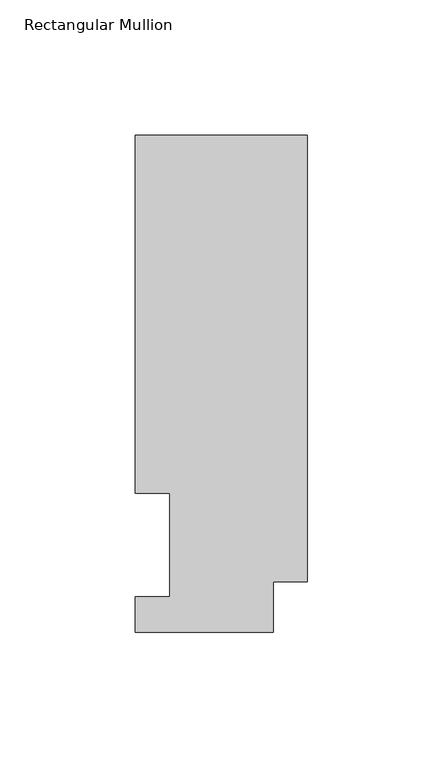
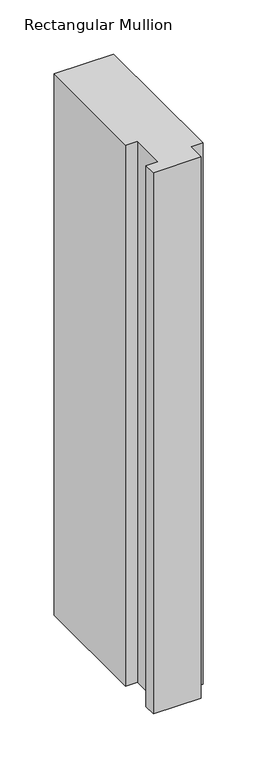
"""IFC4 building model written with IfcOpenShell, lengths in millimetres: member geometry, Rectangular Mullion."""

import ifcopenshell
import ifcopenshell.guid

model = None  # the IFC model being written
_history = None  # IfcOwnerHistory: only IFC2X3 demands one
_inside = {}  # id of a spatial element -> (the spatial element, [elements in it])
_under = {}  # id of a project, library or spatial element -> (it, [spatial elements below it])
_declared = {}  # id of a project -> (the project, [libraries it declares])
_typed = {}  # id of a type object -> (the type object, [elements of that type])
_made_of = {}  # id of a material, layer set ... -> (it, [elements and type objects made of it])


def new_model(schema):
    """Start an empty IFC model of exactly this schema.

    Asked for "IFC4X3", IfcOpenShell would pick the latest addendum, in which some entities
    have other attributes; the version numbers below select the first issue.
    IFC2X3 requires an IfcOwnerHistory on every rooted entity: one is made here for all.
    """
    global model, _history
    if schema == "IFC4X3":
        model = ifcopenshell.file(schema_version=(4, 3, 0, 0))
    else:
        model = ifcopenshell.file(schema=schema)
    _inside.clear()
    _under.clear()
    _declared.clear()
    _typed.clear()
    _made_of.clear()
    _history = None
    if model.schema == "IFC2X3":
        org = make("IfcOrganization", Name="unknown")
        user = make(
            "IfcPersonAndOrganization",
            ThePerson=make("IfcPerson", FamilyName="unknown"),
            TheOrganization=org,
        )
        app = make(
            "IfcApplication",
            ApplicationDeveloper=org,
            Version="unknown",
            ApplicationFullName="unknown",
            ApplicationIdentifier="unknown",
        )
        _history = make(
            "IfcOwnerHistory",
            OwningUser=user,
            OwningApplication=app,
            ChangeAction="ADDED",
            CreationDate=0,
        )
    return model


def make(cls, **values):
    """One entity of the class cls with the attributes given. An attribute that is None is left unset."""
    return model.create_entity(
        cls, **{name: value for name, value in values.items() if value is not None}
    )


def rooted(cls, **values):
    """An entity with a GlobalId (a new one), such as an element, a storey or a relation."""
    return make(cls, GlobalId=ifcopenshell.guid.new(), OwnerHistory=_history, **values)


def si_unit(unit_type, name, prefix=None):
    """IfcSIUnit, for example si_unit("LENGTHUNIT", "METRE", prefix="MILLI")."""
    return make("IfcSIUnit", UnitType=unit_type, Prefix=prefix, Name=name)


def assignment(units):
    """IfcUnitAssignment: the units of a project."""
    return None if units is None else make("IfcUnitAssignment", Units=units)


def point(xyz):
    """IfcCartesianPoint."""
    return None if xyz is None else make("IfcCartesianPoint", Coordinates=xyz)


def direction(xyz):
    """IfcDirection."""
    return None if xyz is None else make("IfcDirection", DirectionRatios=xyz)


def frame(location, z_axis=None, x_axis=None):
    """IfcAxis2Placement3D, a coordinate frame: its origin and axes. An axis left out is left unset."""
    return make(
        "IfcAxis2Placement3D",
        Location=point(location),
        Axis=direction(z_axis),
        RefDirection=direction(x_axis),
    )


def origin():
    """The frame at (0, 0, 0) with its axes left unset."""
    return frame((0.0, 0.0, 0.0))


def place(relative_to, where):
    """IfcLocalPlacement: puts the frame where relative to a parent placement (None: the world)."""
    return make(
        "IfcLocalPlacement", PlacementRelTo=relative_to, RelativePlacement=where
    )


def context(
    kind, dimensions, precision=None, world=None, true_north=None, identifier=None
):
    """IfcGeometricRepresentationContext, for example the 3D "Model" context."""
    return make(
        "IfcGeometricRepresentationContext",
        ContextIdentifier=identifier,
        ContextType=kind,
        CoordinateSpaceDimension=dimensions,
        Precision=precision,
        WorldCoordinateSystem=world,
        TrueNorth=true_north,
    )


def project(units=None, contexts=None):
    """IfcProject with its units and contexts."""
    return rooted(
        "IfcProject",
        Name="project",
        RepresentationContexts=contexts,
        UnitsInContext=assignment(units),
    )


def spatial(cls, under=None, at=None, **own):
    """A site, building, storey or space (cls), placed at a placement, below another one or the project."""
    s = rooted(cls, ObjectPlacement=at, **own)
    if under is not None:
        _under.setdefault(under.id(), (under, []))[1].append(s)
    return s


def polyline(points):
    """IfcPolyline through the points."""
    return make("IfcPolyline", Points=[point(p) for p in points])


def outline(outer, holes=None, kind="AREA"):
    """IfcArbitraryClosedProfileDef: a profile drawn as a closed curve; with holes, ...WithVoids."""
    if holes is None:
        return make("IfcArbitraryClosedProfileDef", ProfileType=kind, OuterCurve=outer)
    return make(
        "IfcArbitraryProfileDefWithVoids",
        ProfileType=kind,
        OuterCurve=outer,
        InnerCurves=holes,
    )


def extrude(swept, where, along, depth):
    """IfcExtrudedAreaSolid: the profile swept, set in the frame where, extruded along a direction by depth."""
    return make(
        "IfcExtrudedAreaSolid",
        SweptArea=swept,
        Position=where,
        ExtrudedDirection=direction(along),
        Depth=depth,
    )


def shape(context_of_items, identifier, shape_type, items):
    """IfcShapeRepresentation: the items that make up one representation, for example the "Body"."""
    return make(
        "IfcShapeRepresentation",
        ContextOfItems=context_of_items,
        RepresentationIdentifier=identifier,
        RepresentationType=shape_type,
        Items=items,
    )


def source(mapping_origin, context_of_items, identifier, shape_type, items):
    """IfcRepresentationMap: a shape defined once, which mapped items show again and again."""
    return make(
        "IfcRepresentationMap",
        MappingOrigin=mapping_origin,
        MappedRepresentation=shape(context_of_items, identifier, shape_type, items),
    )


def transform(
    local_origin,
    x_axis=None,
    y_axis=None,
    z_axis=None,
    scale=None,
    scale2=None,
    scale3=None,
    uniform=True,
):
    """IfcCartesianTransformationOperator3D, or its non-uniform kind. x_axis, y_axis, z_axis: its Axis1, 2, 3."""
    if uniform:
        return make(
            "IfcCartesianTransformationOperator3D",
            Axis1=direction(x_axis),
            Axis2=direction(y_axis),
            LocalOrigin=point(local_origin),
            Scale=scale,
            Axis3=direction(z_axis),
        )
    return make(
        "IfcCartesianTransformationOperator3DnonUniform",
        Axis1=direction(x_axis),
        Axis2=direction(y_axis),
        LocalOrigin=point(local_origin),
        Scale=scale,
        Axis3=direction(z_axis),
        Scale2=scale2,
        Scale3=scale3,
    )


def mapped(mapping_source, mapping_target):
    """IfcMappedItem: shows the shape of a source again, moved by a transform."""
    return make(
        "IfcMappedItem", MappingSource=mapping_source, MappingTarget=mapping_target
    )


def made_of(thing, what):
    """Note that an element or type object is made of a material, layer set ...; save() writes the relation."""
    if what is not None:
        _made_of.setdefault(what.id(), (what, []))[1].append(thing)
    return thing


def element(
    cls,
    number,
    at=None,
    inside=None,
    cuts=None,
    type_object=None,
    material=None,
    context=None,
    identifier="Body",
    shape_type=None,
    held_by="IfcProductDefinitionShape",
    body=None,
    shapes=None,
    **own,
):
    """One element of the class cls, such as IfcWall. Its Tag is "e" and its number.

    at: its placement. inside: the storey or other place that contains it. cuts: it is an
    opening in that element (IfcRelVoidsElement). A single representation is given by context,
    identifier, shape_type and body (its items); several are given by shapes. held_by: the class
    of the entity that holds the representations. save() writes the other relations.
    """
    e = rooted(cls, Tag="e%d" % number, ObjectPlacement=at, **own)
    if body is not None:
        shapes = [shape(context, identifier, shape_type, body)]
    if shapes is not None:
        e.Representation = make(held_by, Representations=shapes)
    if inside is not None:
        _inside.setdefault(inside.id(), (inside, []))[1].append(e)
    if cuts is not None:
        rooted(
            "IfcRelVoidsElement", RelatingBuildingElement=cuts, RelatedOpeningElement=e
        )
    if type_object is not None:
        _typed.setdefault(type_object.id(), (type_object, []))[1].append(e)
    return made_of(e, material)


def aggregate(whole, parts):
    """IfcRelAggregates: a whole, such as a stair, and the parts it consists of."""
    return rooted("IfcRelAggregates", RelatingObject=whole, RelatedObjects=parts)


def save(model, path):
    """Write the relations noted so far, then the file.

    IfcRelAggregates (storeys below a building ...), IfcRelContainedInSpatialStructure (elements
    in a storey), IfcRelDefinesByType, IfcRelAssociatesMaterial and IfcRelDeclares: one each for
    every whole, place, type object, material and project.
    """
    for whole, parts in _under.values():
        aggregate(whole, parts)
    for where, things in _inside.values():
        rooted(
            "IfcRelContainedInSpatialStructure",
            RelatedElements=things,
            RelatingStructure=where,
        )
    for kind, things in _typed.values():
        rooted("IfcRelDefinesByType", RelatedObjects=things, RelatingType=kind)
    for what, things in _made_of.values():
        rooted("IfcRelAssociatesMaterial", RelatedObjects=things, RelatingMaterial=what)
    for by, libraries in _declared.values():
        rooted("IfcRelDeclares", RelatingContext=by, RelatedDefinitions=libraries)
    model.write(path)


def rectangular_mullion_84967c06(model_context):
    return source(origin(), model_context, "Body", "SweptSolid", [
        extrude(outline(polyline([(0.0, 18.7332937), (-12.7, 18.7332937), (-12.7, 0.0134937), (-63.5, 0.0134937), (-63.5, 13.1960938), (-50.8, 13.1960938), (-50.8, 51.2960937), (-63.5, 51.2960937), (-63.5, 183.4446737), (0.0, 183.4446737), (0.0, 18.7332937)])), frame((0.0, 0.0, -609.587333), z_axis=(0.0, 0.0, 1.0), x_axis=(1.0, 0.0, 0.0)), (0.0, 0.0, 1.0), 609.587333),
    ])


if __name__ == "__main__":
    model = new_model("IFC4")
    model_context = context("Model", 3, world=origin())
    ifc_project = project(units=[si_unit("LENGTHUNIT", "METRE", prefix="MILLI")], contexts=[model_context])
    site = spatial("IfcSite", under=ifc_project)
    building = spatial("IfcBuilding", under=site)
    placement = place(None, origin())
    rectangular_mullion_shape = rectangular_mullion_84967c06(model_context)
    element("IfcMember", 1, ObjectType="Rectangular Mullion", at=placement, inside=building, context=model_context, shape_type="MappedRepresentation", body=[
        mapped(rectangular_mullion_shape, transform((0.0, 0.0, 0.0), x_axis=(1.0, 0.0, 0.0), y_axis=(0.0, 1.0, 0.0), z_axis=(0.0, 0.0, 1.0))),
    ])
    save(model, "model.ifc")
